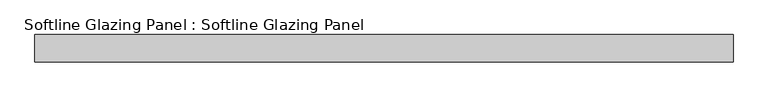
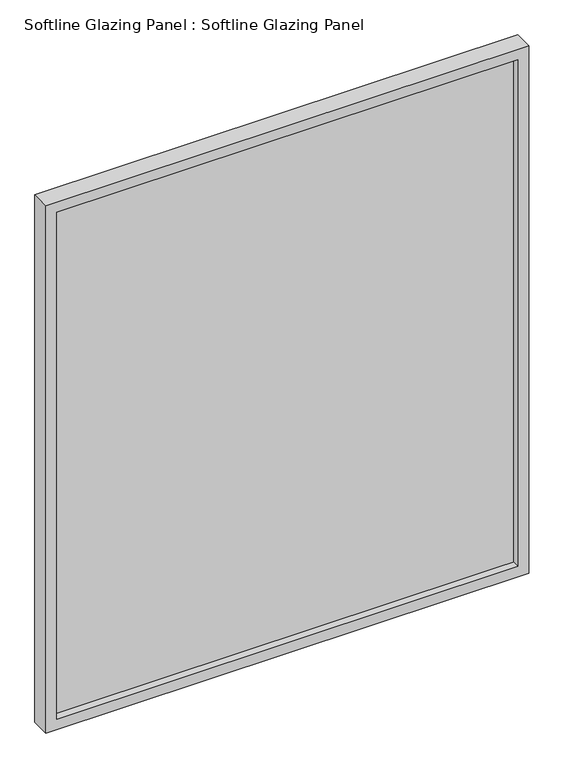
"""IFC4 building model written with IfcOpenShell, lengths in millimetres: plate geometry, Softline Glazing Panel : Softline Glazing Panel."""

from ifc_helpers import new_model, si_unit, frame, origin, place, context, project, spatial, polyline, outline, extrude, faceted_brep, source, transform, mapped, element, save


def softline_glazing_panel_softline_glazing_panel_33322fe1(model_context):
    return source(origin(), model_context, "Body", "SolidModel", [
        extrude(outline(polyline([(557.0, 4.0), (557.0, -4.0), (-557.0, -4.0), (-557.0, 4.0), (557.0, 4.0)])), frame((0.0, 0.0, 16.0), z_axis=(0.0, 0.0, 1.0), x_axis=(1.0, 0.0, 0.0)), (0.0, 0.0, 1.0), 1291.0),
        faceted_brep([(547.0, 4.0, 26.0), (547.0, 22.5, 26.0), (-547.0, 22.5, 26.0), (-547.0, 4.0, 26.0), (557.0, -4.0, 16.0), (557.0, 4.0, 16.0), (-557.0, 4.0, 16.0), (-557.0, -4.0, 16.0), (547.0, -22.5, 26.0), (547.0, -4.0, 26.0), (-547.0, -4.0, 26.0), (-547.0, -22.5, 26.0), (573.0, 22.5, 0.0), (573.0, -22.5, 0.0), (-573.0, -22.5, 0.0), (-573.0, 22.5, 0.0), (-547.0, 22.5, 1297.0), (-547.0, 4.0, 1297.0), (-557.0, 4.0, 1307.0), (-557.0, -4.0, 1307.0), (-547.0, -4.0, 1297.0), (-547.0, -22.5, 1297.0), (-573.0, -22.5, 1323.0), (-573.0, 22.5, 1323.0), (547.0, 22.5, 1297.0), (547.0, 4.0, 1297.0), (557.0, 4.0, 1307.0), (557.0, -4.0, 1307.0), (547.0, -4.0, 1297.0), (547.0, -22.5, 1297.0), (573.0, -22.5, 1323.0), (573.0, 22.5, 1323.0)], [[[0, 1, 2, 3]], [[4, 5, 6, 7]], [[8, 9, 10, 11]], [[12, 13, 14, 15]], [[3, 2, 16, 17]], [[7, 6, 18, 19]], [[11, 10, 20, 21]], [[15, 14, 22, 23]], [[17, 16, 24, 25]], [[19, 18, 26, 27]], [[21, 20, 28, 29]], [[23, 22, 30, 31]], [[15, 23, 31, 12], [1, 24, 16, 2]], [[25, 24, 1, 0]], [[5, 26, 18, 6], [3, 17, 25, 0]], [[27, 26, 5, 4]], [[7, 19, 27, 4], [9, 28, 20, 10]], [[29, 28, 9, 8]], [[13, 30, 22, 14], [11, 21, 29, 8]], [[31, 30, 13, 12]]]),
    ])


if __name__ == "__main__":
    model = new_model("IFC4")
    model_context = context("Model", 3, world=origin())
    ifc_project = project(units=[si_unit("LENGTHUNIT", "METRE", prefix="MILLI")], contexts=[model_context])
    site = spatial("IfcSite", under=ifc_project)
    building = spatial("IfcBuilding", under=site)
    placement = place(None, origin())
    softline_glazing_panel_softline_glazing_panel_shape = softline_glazing_panel_softline_glazing_panel_33322fe1(model_context)
    element("IfcPlate", 1, ObjectType="Softline Glazing Panel : Softline Glazing Panel", at=placement, inside=building, context=model_context, shape_type="MappedRepresentation", body=[
        mapped(softline_glazing_panel_softline_glazing_panel_shape, transform((0.0, 0.0, 0.0), x_axis=(1.0, 0.0, 0.0), y_axis=(0.0, 1.0, 0.0), z_axis=(0.0, 0.0, 1.0))),
    ])
    save(model, "model.ifc")
